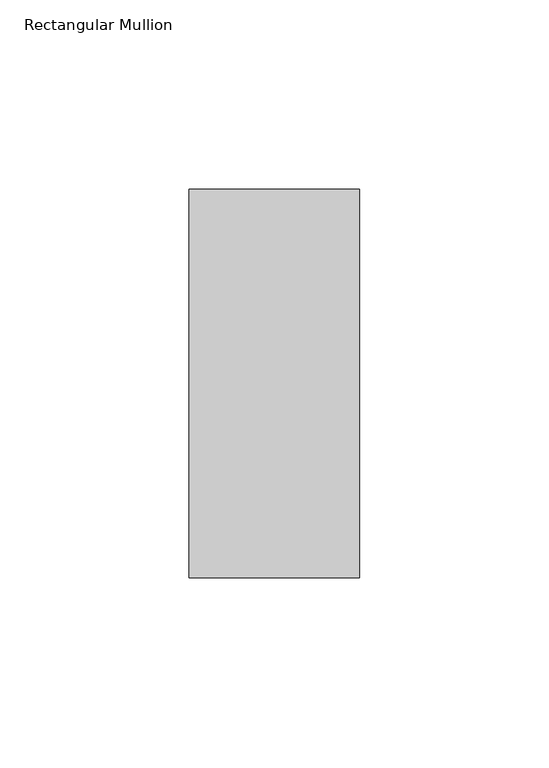
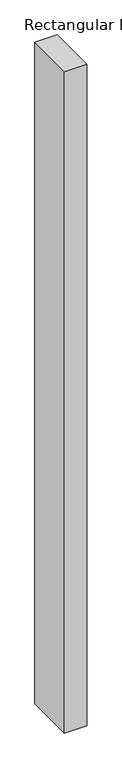
"""IFC4 building model written with IfcOpenShell, lengths in millimetres: member geometry, Rectangular Mullion."""

from ifc_helpers import new_model, si_unit, frame, origin, place, context, project, spatial, polyline, outline, extrude, source, transform, mapped, element, save


def rectangular_mullion_f54bae7b(model_context):
    return source(origin(), model_context, "Body", "SweptSolid", [
        extrude(outline(polyline([(0.0, 66.73125), (0.0, -35.73125), (-45.0, -35.73125), (-45.0, 66.73125), (0.0, 66.73125)])), frame((0.0, 0.0, -1398.2316406), z_axis=(0.0, 0.0, 1.0), x_axis=(1.0, 0.0, 0.0)), (0.0, 0.0, 1.0), 1398.2316406),
    ])


if __name__ == "__main__":
    model = new_model("IFC4")
    model_context = context("Model", 3, world=origin())
    ifc_project = project(units=[si_unit("LENGTHUNIT", "METRE", prefix="MILLI")], contexts=[model_context])
    site = spatial("IfcSite", under=ifc_project)
    building = spatial("IfcBuilding", under=site)
    placement = place(None, origin())
    rectangular_mullion_shape = rectangular_mullion_f54bae7b(model_context)
    element("IfcMember", 1, ObjectType="Rectangular Mullion", at=placement, inside=building, context=model_context, shape_type="MappedRepresentation", body=[
        mapped(rectangular_mullion_shape, transform((0.0, 0.0, 0.0), x_axis=(1.0, 0.0, 0.0), y_axis=(0.0, 1.0, 0.0), z_axis=(0.0, 0.0, 1.0))),
    ])
    save(model, "model.ifc")
